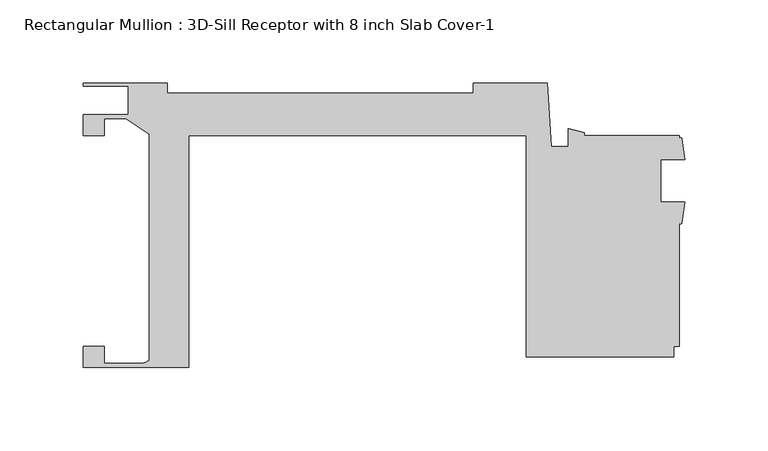
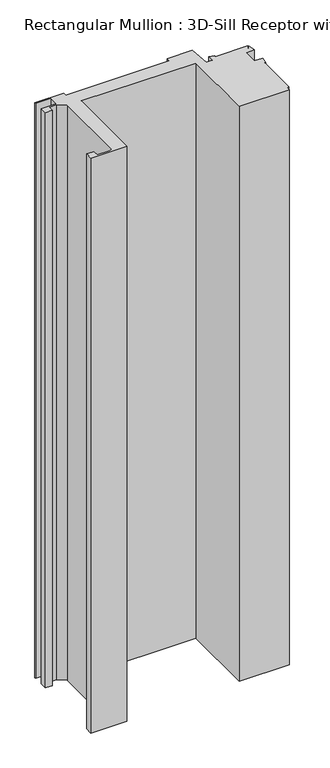
"""IFC4 building model written with IfcOpenShell, lengths in millimetres: member geometry, Rectangular Mullion : 3D-Sill Receptor with 8 inch Slab Cover-1."""

from ifc_helpers import new_model, si_unit, point, frame, frame_2d, origin, place, context, project, spatial, polyline, circle_curve, trimmed, segment, composite_curve, outline, extrude, source, transform, mapped, element, save


def rectangular_mullion_3d_sill_receptor_with_8_inch_slab_cover_45bce176(model_context):
    return source(origin(), model_context, "Body", "SweptSolid", [
        extrude(outline(composite_curve([segment(polyline([(-327.0250613, 53.962968), (-327.0250613, 66.8032812), (-299.8652608, 66.8032812), (-299.8652608, 83.7039385), (-327.0250613, 83.7039385), (-327.0250613, 85.7359385), (-276.2250613, 85.7359385), (-276.2250613, 79.6223721), (-92.0750617, 79.6223721), (-92.0750617, 85.736936), (-47.7427622, 85.736936), (-45.0850617, 47.3697995), (-34.9250617, 47.3697995), (-34.9250617, 58.1604164), (-25.4000617, 55.7182337), (-25.4000617, 53.9869695), (31.7500653, 53.9869695), (31.7500653, 52.1834445)]), True, "CONTINUOUS"), segment(trimmed(circle_curve(frame_2d((32.5601464, 51.8379412)), 0.8806837), [point((31.7500653, 52.1834445))], [point((33.3359616, 52.254732))], False, "CARTESIAN"), True, "CONTINUOUS"), segment(polyline([(33.3359616, 52.254732), (35.1460653, 39.4834445), (20.6375653, 39.4834445), (20.6375653, 14.0834445), (35.269587, 14.0834445), (33.4134697, 1.3103917)]), True, "CONTINUOUS"), segment(trimmed(circle_curve(frame_2d((32.5817675, 1.8247731)), 0.9779145), [point((33.4134697, 1.3103917))], [point((31.7500653, 1.3103917))], False, "CARTESIAN"), True, "CONTINUOUS"), segment(polyline([(31.7500653, 1.3103917), (31.7500653, -73.0130305), (28.5749113, -73.0130305), (28.5749113, -79.362968), (-60.3250617, -79.362968), (-60.3250617, 53.9869695), (-263.5250617, 53.9869695), (-263.5250617, -85.7140614), (-326.9996617, -85.7140614), (-326.9996617, -72.9940054), (-314.2996617, -72.9940054), (-314.2996617, -83.1740614), (-291.7825617, -83.1740614)]), True, "CONTINUOUS"), segment(trimmed(circle_curve(frame_2d((-291.7825617, -76.8240614)), 6.35), [point((-291.7825617, -83.1740614))], [point((-287.3248613, -81.3463846))], True, "CARTESIAN"), True, "CONTINUOUS"), segment(polyline([(-287.3248613, -81.3463846), (-287.3248613, 54.9648513), (-301.319607, 64.2632812), (-314.3504617, 64.2632812), (-314.3504617, 53.962968), (-327.0250613, 53.962968)]), True, "CONTINUOUS")], self_intersect=False)), frame((0.0, 0.0, -1077.9648533), z_axis=(0.0, 0.0, 1.0), x_axis=(1.0, 0.0, 0.0)), (0.0, 0.0, 1.0), 1077.9648533),
    ])


if __name__ == "__main__":
    model = new_model("IFC4")
    model_context = context("Model", 3, world=origin())
    ifc_project = project(units=[si_unit("LENGTHUNIT", "METRE", prefix="MILLI")], contexts=[model_context])
    site = spatial("IfcSite", under=ifc_project)
    building = spatial("IfcBuilding", under=site)
    placement = place(None, origin())
    rectangular_mullion_3d_sill_receptor_with_8_inch_slab_cover_shape = rectangular_mullion_3d_sill_receptor_with_8_inch_slab_cover_45bce176(model_context)
    element("IfcMember", 1, ObjectType="Rectangular Mullion : 3D-Sill Receptor with 8 inch Slab Cover-1", at=placement, inside=building, context=model_context, shape_type="MappedRepresentation", body=[
        mapped(rectangular_mullion_3d_sill_receptor_with_8_inch_slab_cover_shape, transform((0.0, 0.0, 0.0), x_axis=(1.0, 0.0, 0.0), y_axis=(0.0, 1.0, 0.0), z_axis=(0.0, 0.0, 1.0))),
    ])
    save(model, "model.ifc")
